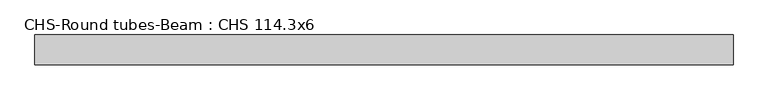
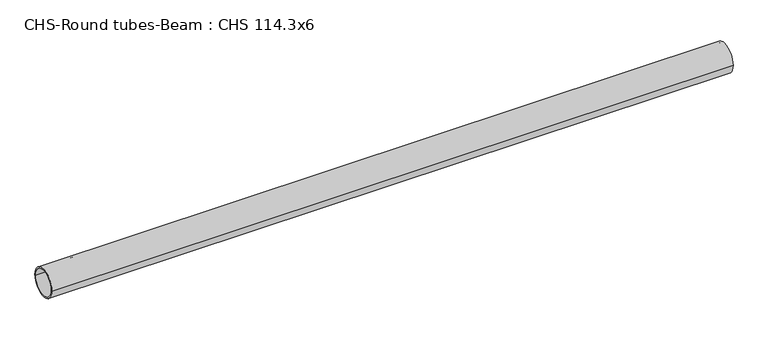
"""IFC4 building model written with IfcOpenShell, lengths in millimetres: beam geometry, CHS-Round tubes-Beam : CHS 114.3x6."""

import ifcopenshell
import ifcopenshell.guid

model = None  # the IFC model being written
_history = None  # IfcOwnerHistory: only IFC2X3 demands one
_inside = {}  # id of a spatial element -> (the spatial element, [elements in it])
_under = {}  # id of a project, library or spatial element -> (it, [spatial elements below it])
_declared = {}  # id of a project -> (the project, [libraries it declares])
_typed = {}  # id of a type object -> (the type object, [elements of that type])
_made_of = {}  # id of a material, layer set ... -> (it, [elements and type objects made of it])


def new_model(schema):
    """Start an empty IFC model of exactly this schema.

    Asked for "IFC4X3", IfcOpenShell would pick the latest addendum, in which some entities
    have other attributes; the version numbers below select the first issue.
    IFC2X3 requires an IfcOwnerHistory on every rooted entity: one is made here for all.
    """
    global model, _history
    if schema == "IFC4X3":
        model = ifcopenshell.file(schema_version=(4, 3, 0, 0))
    else:
        model = ifcopenshell.file(schema=schema)
    _inside.clear()
    _under.clear()
    _declared.clear()
    _typed.clear()
    _made_of.clear()
    _history = None
    if model.schema == "IFC2X3":
        org = make("IfcOrganization", Name="unknown")
        user = make(
            "IfcPersonAndOrganization",
            ThePerson=make("IfcPerson", FamilyName="unknown"),
            TheOrganization=org,
        )
        app = make(
            "IfcApplication",
            ApplicationDeveloper=org,
            Version="unknown",
            ApplicationFullName="unknown",
            ApplicationIdentifier="unknown",
        )
        _history = make(
            "IfcOwnerHistory",
            OwningUser=user,
            OwningApplication=app,
            ChangeAction="ADDED",
            CreationDate=0,
        )
    return model


def make(cls, **values):
    """One entity of the class cls with the attributes given. An attribute that is None is left unset."""
    return model.create_entity(
        cls, **{name: value for name, value in values.items() if value is not None}
    )


def rooted(cls, **values):
    """An entity with a GlobalId (a new one), such as an element, a storey or a relation."""
    return make(cls, GlobalId=ifcopenshell.guid.new(), OwnerHistory=_history, **values)


def si_unit(unit_type, name, prefix=None):
    """IfcSIUnit, for example si_unit("LENGTHUNIT", "METRE", prefix="MILLI")."""
    return make("IfcSIUnit", UnitType=unit_type, Prefix=prefix, Name=name)


def assignment(units):
    """IfcUnitAssignment: the units of a project."""
    return None if units is None else make("IfcUnitAssignment", Units=units)


def point(xyz):
    """IfcCartesianPoint."""
    return None if xyz is None else make("IfcCartesianPoint", Coordinates=xyz)


def direction(xyz):
    """IfcDirection."""
    return None if xyz is None else make("IfcDirection", DirectionRatios=xyz)


def frame(location, z_axis=None, x_axis=None):
    """IfcAxis2Placement3D, a coordinate frame: its origin and axes. An axis left out is left unset."""
    return make(
        "IfcAxis2Placement3D",
        Location=point(location),
        Axis=direction(z_axis),
        RefDirection=direction(x_axis),
    )


def frame_2d(location, x_axis=None):
    """IfcAxis2Placement2D, a coordinate frame in the plane: its origin and x axis."""
    return make(
        "IfcAxis2Placement2D", Location=point(location), RefDirection=direction(x_axis)
    )


def origin():
    """The frame at (0, 0, 0) with its axes left unset."""
    return frame((0.0, 0.0, 0.0))


def origin_2d():
    """The frame at (0, 0) in the plane with its x axis left unset."""
    return frame_2d((0.0, 0.0))


def place(relative_to, where):
    """IfcLocalPlacement: puts the frame where relative to a parent placement (None: the world)."""
    return make(
        "IfcLocalPlacement", PlacementRelTo=relative_to, RelativePlacement=where
    )


def context(
    kind, dimensions, precision=None, world=None, true_north=None, identifier=None
):
    """IfcGeometricRepresentationContext, for example the 3D "Model" context."""
    return make(
        "IfcGeometricRepresentationContext",
        ContextIdentifier=identifier,
        ContextType=kind,
        CoordinateSpaceDimension=dimensions,
        Precision=precision,
        WorldCoordinateSystem=world,
        TrueNorth=true_north,
    )


def project(units=None, contexts=None):
    """IfcProject with its units and contexts."""
    return rooted(
        "IfcProject",
        Name="project",
        RepresentationContexts=contexts,
        UnitsInContext=assignment(units),
    )


def spatial(cls, under=None, at=None, **own):
    """A site, building, storey or space (cls), placed at a placement, below another one or the project."""
    s = rooted(cls, ObjectPlacement=at, **own)
    if under is not None:
        _under.setdefault(under.id(), (under, []))[1].append(s)
    return s


def circle_curve(where, radius):
    """IfcCircle in the frame where."""
    return make("IfcCircle", Position=where, Radius=radius)


def trimmed(basis, trim1, trim2, sense, master):
    """IfcTrimmedCurve: the piece of a basis curve between two trims."""
    return make(
        "IfcTrimmedCurve",
        BasisCurve=basis,
        Trim1=trim1,
        Trim2=trim2,
        SenseAgreement=sense,
        MasterRepresentation=master,
    )


def segment(curve, same_sense, transition):
    """IfcCompositeCurveSegment."""
    return make(
        "IfcCompositeCurveSegment",
        Transition=transition,
        SameSense=same_sense,
        ParentCurve=curve,
    )


def composite_curve(segments, self_intersect=None):
    """IfcCompositeCurve: segments joined end to end."""
    return make("IfcCompositeCurve", Segments=segments, SelfIntersect=self_intersect)


def outline(outer, holes=None, kind="AREA"):
    """IfcArbitraryClosedProfileDef: a profile drawn as a closed curve; with holes, ...WithVoids."""
    if holes is None:
        return make("IfcArbitraryClosedProfileDef", ProfileType=kind, OuterCurve=outer)
    return make(
        "IfcArbitraryProfileDefWithVoids",
        ProfileType=kind,
        OuterCurve=outer,
        InnerCurves=holes,
    )


def extrude(swept, where, along, depth):
    """IfcExtrudedAreaSolid: the profile swept, set in the frame where, extruded along a direction by depth."""
    return make(
        "IfcExtrudedAreaSolid",
        SweptArea=swept,
        Position=where,
        ExtrudedDirection=direction(along),
        Depth=depth,
    )


def shape(context_of_items, identifier, shape_type, items):
    """IfcShapeRepresentation: the items that make up one representation, for example the "Body"."""
    return make(
        "IfcShapeRepresentation",
        ContextOfItems=context_of_items,
        RepresentationIdentifier=identifier,
        RepresentationType=shape_type,
        Items=items,
    )


def source(mapping_origin, context_of_items, identifier, shape_type, items):
    """IfcRepresentationMap: a shape defined once, which mapped items show again and again."""
    return make(
        "IfcRepresentationMap",
        MappingOrigin=mapping_origin,
        MappedRepresentation=shape(context_of_items, identifier, shape_type, items),
    )


def transform(
    local_origin,
    x_axis=None,
    y_axis=None,
    z_axis=None,
    scale=None,
    scale2=None,
    scale3=None,
    uniform=True,
):
    """IfcCartesianTransformationOperator3D, or its non-uniform kind. x_axis, y_axis, z_axis: its Axis1, 2, 3."""
    if uniform:
        return make(
            "IfcCartesianTransformationOperator3D",
            Axis1=direction(x_axis),
            Axis2=direction(y_axis),
            LocalOrigin=point(local_origin),
            Scale=scale,
            Axis3=direction(z_axis),
        )
    return make(
        "IfcCartesianTransformationOperator3DnonUniform",
        Axis1=direction(x_axis),
        Axis2=direction(y_axis),
        LocalOrigin=point(local_origin),
        Scale=scale,
        Axis3=direction(z_axis),
        Scale2=scale2,
        Scale3=scale3,
    )


def mapped(mapping_source, mapping_target):
    """IfcMappedItem: shows the shape of a source again, moved by a transform."""
    return make(
        "IfcMappedItem", MappingSource=mapping_source, MappingTarget=mapping_target
    )


def made_of(thing, what):
    """Note that an element or type object is made of a material, layer set ...; save() writes the relation."""
    if what is not None:
        _made_of.setdefault(what.id(), (what, []))[1].append(thing)
    return thing


def element(
    cls,
    number,
    at=None,
    inside=None,
    cuts=None,
    type_object=None,
    material=None,
    context=None,
    identifier="Body",
    shape_type=None,
    held_by="IfcProductDefinitionShape",
    body=None,
    shapes=None,
    **own,
):
    """One element of the class cls, such as IfcWall. Its Tag is "e" and its number.

    at: its placement. inside: the storey or other place that contains it. cuts: it is an
    opening in that element (IfcRelVoidsElement). A single representation is given by context,
    identifier, shape_type and body (its items); several are given by shapes. held_by: the class
    of the entity that holds the representations. save() writes the other relations.
    """
    e = rooted(cls, Tag="e%d" % number, ObjectPlacement=at, **own)
    if body is not None:
        shapes = [shape(context, identifier, shape_type, body)]
    if shapes is not None:
        e.Representation = make(held_by, Representations=shapes)
    if inside is not None:
        _inside.setdefault(inside.id(), (inside, []))[1].append(e)
    if cuts is not None:
        rooted(
            "IfcRelVoidsElement", RelatingBuildingElement=cuts, RelatedOpeningElement=e
        )
    if type_object is not None:
        _typed.setdefault(type_object.id(), (type_object, []))[1].append(e)
    return made_of(e, material)


def aggregate(whole, parts):
    """IfcRelAggregates: a whole, such as a stair, and the parts it consists of."""
    return rooted("IfcRelAggregates", RelatingObject=whole, RelatedObjects=parts)


def save(model, path):
    """Write the relations noted so far, then the file.

    IfcRelAggregates (storeys below a building ...), IfcRelContainedInSpatialStructure (elements
    in a storey), IfcRelDefinesByType, IfcRelAssociatesMaterial and IfcRelDeclares: one each for
    every whole, place, type object, material and project.
    """
    for whole, parts in _under.values():
        aggregate(whole, parts)
    for where, things in _inside.values():
        rooted(
            "IfcRelContainedInSpatialStructure",
            RelatedElements=things,
            RelatingStructure=where,
        )
    for kind, things in _typed.values():
        rooted("IfcRelDefinesByType", RelatedObjects=things, RelatingType=kind)
    for what, things in _made_of.values():
        rooted("IfcRelAssociatesMaterial", RelatedObjects=things, RelatingMaterial=what)
    for by, libraries in _declared.values():
        rooted("IfcRelDeclares", RelatingContext=by, RelatedDefinitions=libraries)
    model.write(path)


def chs_round_tubes_beam_chs_114_3x6_cf6293eb(model_context):
    return source(origin(), model_context, "Body", "SweptSolid", [
        extrude(outline(composite_curve([segment(trimmed(circle_curve(origin_2d(), 57.15), [point((57.15, 0.0))], [point((-57.15, 0.0))], False, "CARTESIAN"), True, "CONTINUOUS"), segment(trimmed(circle_curve(origin_2d(), 57.15), [point((-57.15, 0.0))], [point((57.15, 0.0))], False, "CARTESIAN"), True, "CONTINUOUS")], self_intersect=False), holes=[composite_curve([segment(trimmed(circle_curve(origin_2d(), 51.15), [point((51.15, 0.0))], [point((-51.15, 0.0))], True, "CARTESIAN"), True, "CONTINUOUS"), segment(trimmed(circle_curve(origin_2d(), 51.15), [point((-51.15, 0.0))], [point((51.15, 0.0))], True, "CARTESIAN"), True, "CONTINUOUS")], self_intersect=False)]), frame((-1331.9716752, 0.0, 0.0), z_axis=(1.0, 0.0, 0.0), x_axis=(0.0, 1.0, 0.0)), (0.0, 0.0, 1.0), 2675.3483885),
    ])


if __name__ == "__main__":
    model = new_model("IFC4")
    model_context = context("Model", 3, world=origin())
    ifc_project = project(units=[si_unit("LENGTHUNIT", "METRE", prefix="MILLI")], contexts=[model_context])
    site = spatial("IfcSite", under=ifc_project)
    building = spatial("IfcBuilding", under=site)
    placement = place(None, origin())
    chs_round_tubes_beam_chs_114_3x6_shape = chs_round_tubes_beam_chs_114_3x6_cf6293eb(model_context)
    element("IfcBeam", 1, ObjectType="CHS-Round tubes-Beam : CHS 114.3x6", at=placement, inside=building, context=model_context, shape_type="MappedRepresentation", body=[
        mapped(chs_round_tubes_beam_chs_114_3x6_shape, transform((0.0, 0.0, 0.0), x_axis=(1.0, 0.0, 0.0), y_axis=(0.0, 1.0, 0.0), z_axis=(0.0, 0.0, 1.0))),
    ])
    save(model, "model.ifc")
